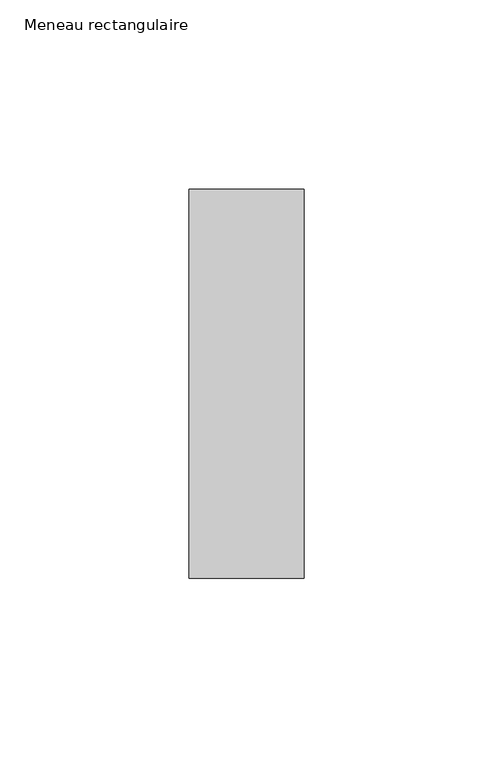
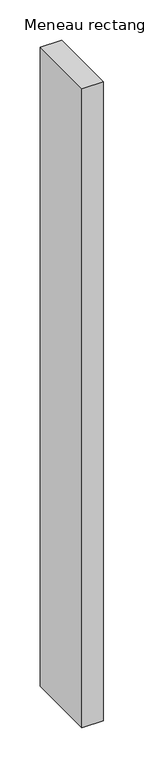
"""IFC4 building model written with IfcOpenShell, lengths in millimetres: member geometry, Meneau rectangulaire."""

from ifc_helpers import new_model, si_unit, frame, origin, place, context, project, spatial, polyline, outline, extrude, source, transform, mapped, element, save


def meneau_rectangulaire_9c91c3fd(model_context):
    return source(origin(), model_context, "Body", "SweptSolid", [
        extrude(outline(polyline([(-15.25, 51.5), (15.25, 51.5), (15.25, -51.5), (-15.25, -51.5), (-15.25, 51.5)])), frame((0.0, 0.0, -965.5), z_axis=(0.0, 0.0, 1.0), x_axis=(1.0, 0.0, 0.0)), (0.0, 0.0, 1.0), 965.5),
    ])


if __name__ == "__main__":
    model = new_model("IFC4")
    model_context = context("Model", 3, world=origin())
    ifc_project = project(units=[si_unit("LENGTHUNIT", "METRE", prefix="MILLI")], contexts=[model_context])
    site = spatial("IfcSite", under=ifc_project)
    building = spatial("IfcBuilding", under=site)
    placement = place(None, origin())
    meneau_rectangulaire_shape = meneau_rectangulaire_9c91c3fd(model_context)
    element("IfcMember", 1, ObjectType="Meneau rectangulaire", at=placement, inside=building, context=model_context, shape_type="MappedRepresentation", body=[
        mapped(meneau_rectangulaire_shape, transform((0.0, 0.0, 0.0), x_axis=(1.0, 0.0, 0.0), y_axis=(0.0, 1.0, 0.0), z_axis=(0.0, 0.0, 1.0))),
    ])
    save(model, "model.ifc")
